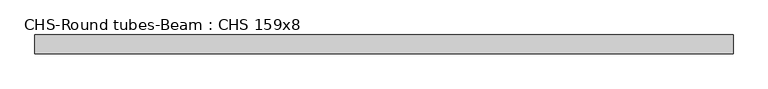
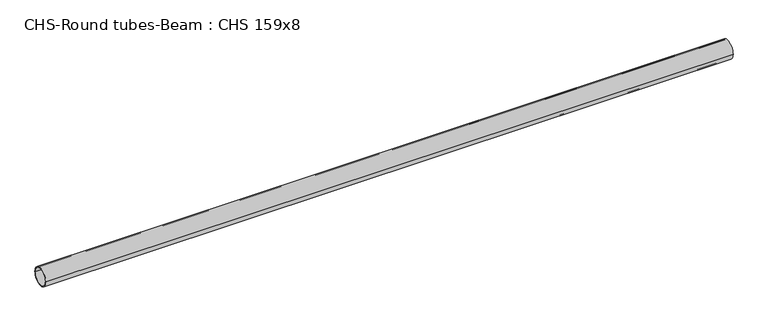
"""IFC4 building model written with IfcOpenShell, lengths in millimetres: beam geometry, CHS-Round tubes-Beam : CHS 159x8."""

from ifc_helpers import new_model, si_unit, point, frame, origin, origin_2d, place, context, project, spatial, circle_curve, trimmed, segment, composite_curve, outline, extrude, source, transform, mapped, element, save


def chs_round_tubes_beam_chs_159x8_fbe72827(model_context):
    return source(origin(), model_context, "Body", "SweptSolid", [
        extrude(outline(composite_curve([segment(trimmed(circle_curve(origin_2d(), 79.5), [point((79.5, 0.0))], [point((-79.5, 0.0))], False, "CARTESIAN"), True, "CONTINUOUS"), segment(trimmed(circle_curve(origin_2d(), 79.5), [point((-79.5, 0.0))], [point((79.5, 0.0))], False, "CARTESIAN"), True, "CONTINUOUS")], self_intersect=False), holes=[composite_curve([segment(trimmed(circle_curve(origin_2d(), 71.5), [point((71.5, 0.0))], [point((-71.5, 0.0))], True, "CARTESIAN"), True, "CONTINUOUS"), segment(trimmed(circle_curve(origin_2d(), 71.5), [point((-71.5, 0.0))], [point((71.5, 0.0))], True, "CARTESIAN"), True, "CONTINUOUS")], self_intersect=False)]), frame((-2947.5137186, 0.0, 0.0), z_axis=(1.0, 0.0, 0.0), x_axis=(0.0, 1.0, 0.0)), (0.0, 0.0, 1.0), 5895.0274372),
    ])


if __name__ == "__main__":
    model = new_model("IFC4")
    model_context = context("Model", 3, world=origin())
    ifc_project = project(units=[si_unit("LENGTHUNIT", "METRE", prefix="MILLI")], contexts=[model_context])
    site = spatial("IfcSite", under=ifc_project)
    building = spatial("IfcBuilding", under=site)
    placement = place(None, origin())
    chs_round_tubes_beam_chs_159x8_shape = chs_round_tubes_beam_chs_159x8_fbe72827(model_context)
    element("IfcBeam", 1, ObjectType="CHS-Round tubes-Beam : CHS 159x8", at=placement, inside=building, context=model_context, shape_type="MappedRepresentation", body=[
        mapped(chs_round_tubes_beam_chs_159x8_shape, transform((0.0, 0.0, 0.0), x_axis=(1.0, 0.0, 0.0), y_axis=(0.0, 1.0, 0.0), z_axis=(0.0, 0.0, 1.0))),
    ])
    save(model, "model.ifc")
